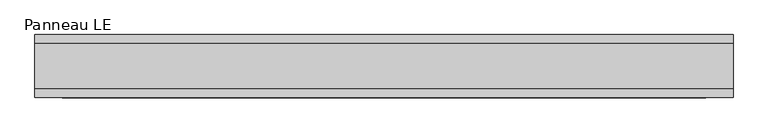
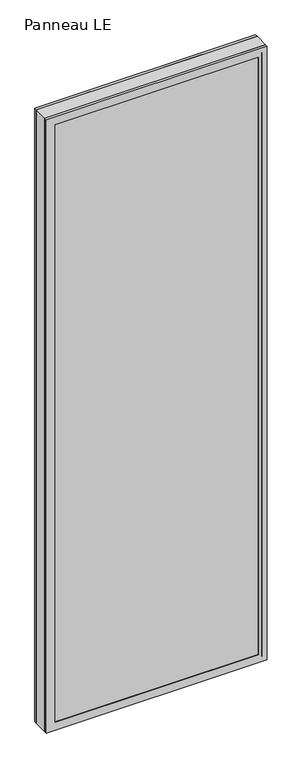
"""IFC4 building model written with IfcOpenShell, lengths in millimetres: plate geometry, Panneau LE."""

from ifc_helpers import new_model, si_unit, frame, origin, place, context, project, spatial, polyline, outline, extrude, faceted_brep, source, transform, mapped, element, save


def panneau_le_09f255ca(model_context):
    return source(origin(), model_context, "Body", "SolidModel", [
        faceted_brep([(-499.7748678, 33.0, 2933.0), (-499.7748678, 45.0, 2933.0), (-499.7748678, 45.0, 0.0), (-499.7748678, 33.0, 0.0), (499.7748678, 33.0, 0.0), (499.7748678, 45.0, 0.0), (499.7748678, 45.0, 2933.0), (499.7748678, 33.0, 2933.0), (-460.7748678, 45.0, 2894.0), (-460.7748678, 45.0, 39.0), (460.7748678, 45.0, 39.0), (460.7748678, 45.0, 2894.0), (460.7748678, 43.8, 2894.0), (-460.7748678, 43.8, 2894.0), (-475.7748678, 43.8, 2909.0), (-475.7748678, 43.8, 24.0), (475.7748678, 43.8, 24.0), (475.7748678, 43.8, 2909.0), (460.7748678, 43.8, 39.0), (-460.7748678, 43.8, 39.0), (475.7748678, 33.0, 2909.0), (-475.7748678, 33.0, 2909.0), (475.7748678, 33.0, 24.0), (-475.7748678, 33.0, 24.0)], [[[0, 1, 2, 3]], [[4, 5, 6, 7]], [[6, 1, 0, 7]], [[2, 1, 6, 5], [8, 9, 10, 11]], [[8, 11, 12, 13]], [[14, 15, 16, 17], [13, 12, 18, 19]], [[14, 17, 20, 21]], [[0, 3, 4, 7], [20, 22, 23, 21]], [[23, 22, 16, 15]], [[19, 18, 10, 9]], [[4, 3, 2, 5]], [[21, 23, 15, 14]], [[13, 19, 9, 8]], [[18, 12, 11, 10]], [[22, 20, 17, 16]]]),
        faceted_brep([(-499.7748678, -33.0, 0.0), (-499.7748678, -45.0, 0.0), (-499.7748678, -45.0, 2933.0), (-499.7748678, -33.0, 2933.0), (499.7748678, -45.0, 0.0), (499.7748678, -33.0, 0.0), (499.7748678, -33.0, 2933.0), (499.7748678, -45.0, 2933.0), (460.7748678, -45.0, 2894.0), (460.7748678, -45.0, 39.0), (-460.7748678, -45.0, 39.0), (-460.7748678, -45.0, 2894.0), (-475.7748678, -33.0, 2909.0), (-475.7748678, -33.0, 24.0), (475.7748678, -33.0, 24.0), (475.7748678, -33.0, 2909.0), (475.7748678, -43.8, 2909.0), (-475.7748678, -43.8, 2909.0), (475.7748678, -43.8, 24.0), (-475.7748678, -43.8, 24.0), (-460.7748678, -43.8, 2894.0), (-460.7748678, -43.8, 39.0), (460.7748678, -43.8, 39.0), (460.7748678, -43.8, 2894.0)], [[[0, 1, 2, 3]], [[4, 5, 6, 7]], [[2, 1, 4, 7], [8, 9, 10, 11]], [[6, 3, 2, 7]], [[0, 3, 6, 5], [12, 13, 14, 15]], [[12, 15, 16, 17]], [[17, 16, 18, 19], [20, 21, 22, 23]], [[8, 11, 20, 23]], [[10, 9, 22, 21]], [[19, 18, 14, 13]], [[4, 1, 0, 5]], [[11, 10, 21, 20]], [[17, 19, 13, 12]], [[18, 16, 15, 14]], [[9, 8, 23, 22]]]),
        extrude(outline(polyline([(2933.0, 499.7748678), (2933.0, -499.7748678), (0.0, -499.7748678), (0.0, 499.7748678), (2933.0, 499.7748678)]), holes=[polyline([(46.0, -459.7748678), (2887.0, -459.7748678), (2887.0, 459.7748678), (46.0, 459.7748678), (46.0, -459.7748678)])]), frame((0.0, -33.0, 0.0), z_axis=(0.0, 1.0, 0.0), x_axis=(0.0, 0.0, 1.0)), (0.0, 0.0, 1.0), 66.0),
        extrude(outline(polyline([(475.7748678, 37.8), (-475.7748678, 37.8), (-475.7748678, 43.8), (475.7748678, 43.8), (475.7748678, 37.8)])), frame((0.0, 0.0, 24.0), z_axis=(0.0, 0.0, 1.0), x_axis=(1.0, 0.0, 0.0)), (0.0, 0.0, 1.0), 2885.0),
        extrude(outline(polyline([(-475.7748678, -43.8), (-475.7748678, -37.8), (475.7748678, -37.8), (475.7748678, -43.8), (-475.7748678, -43.8)])), frame((0.0, 0.0, 24.0), z_axis=(0.0, 0.0, 1.0), x_axis=(1.0, 0.0, 0.0)), (0.0, 0.0, 1.0), 2885.0),
    ])


if __name__ == "__main__":
    model = new_model("IFC4")
    model_context = context("Model", 3, world=origin())
    ifc_project = project(units=[si_unit("LENGTHUNIT", "METRE", prefix="MILLI")], contexts=[model_context])
    site = spatial("IfcSite", under=ifc_project)
    building = spatial("IfcBuilding", under=site)
    placement = place(None, origin())
    panneau_le_shape = panneau_le_09f255ca(model_context)
    element("IfcPlate", 1, ObjectType="Panneau LE", at=placement, inside=building, context=model_context, shape_type="MappedRepresentation", body=[
        mapped(panneau_le_shape, transform((0.0, 0.0, 0.0), x_axis=(1.0, 0.0, 0.0), y_axis=(0.0, 1.0, 0.0), z_axis=(0.0, 0.0, 1.0))),
    ])
    save(model, "model.ifc")
